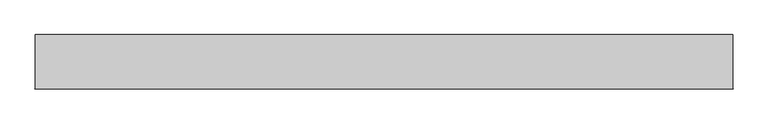
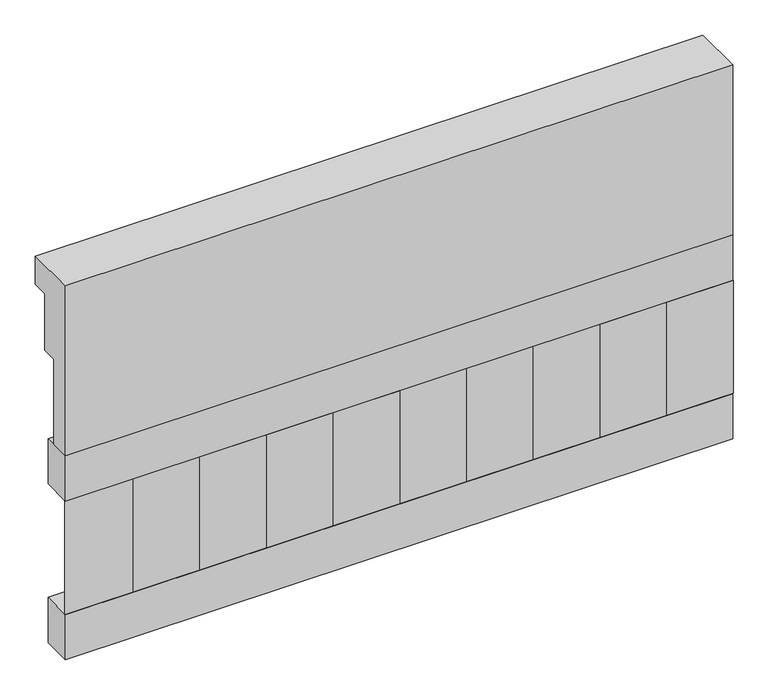
"""IFC4 building model written with IfcOpenShell, lengths in millimetres: railing geometry."""

from ifc_helpers import new_model, si_unit, frame, origin, place, context, project, spatial, polyline, outline, extrude, source, transform, mapped, element, save


def railing_411672da(model_context):
    return source(origin(), model_context, "Body", "SweptSolid", [
        extrude(outline(polyline([(903.1079487, 21800.0), (1033.1079487, 21800.0), (1033.1079487, 21725.0), (993.1079487, 21725.0), (993.1079487, 21575.0), (953.1079487, 21575.0), (953.1079487, 21350.0), (903.1079487, 21350.0), (903.1079487, 21800.0)])), frame((22660.0112841, 0.0, 0.0), z_axis=(1.0, 0.0, 0.0), x_axis=(0.0, 1.0, 0.0)), (0.0, 0.0, 1.0), 1670.0),
        extrude(outline(polyline([(24330.0112841, 978.1079487), (24330.0112841, 903.1079487), (22660.0112841, 903.1079487), (22660.0112841, 978.1079487), (24330.0112841, 978.1079487)])), frame((0.0, 0.0, 21230.0), z_axis=(0.0, 0.0, 1.0), x_axis=(1.0, 0.0, 0.0)), (0.0, 0.0, 1.0), 120.0),
        extrude(outline(polyline([(24330.0112841, 978.1079487), (24330.0112841, 903.1079487), (22660.0112841, 903.1079487), (22660.0112841, 978.1079487), (24330.0112841, 978.1079487)])), frame((0.0, 0.0, 20810.0), z_axis=(0.0, 0.0, 1.0), x_axis=(1.0, 0.0, 0.0)), (0.0, 0.0, 1.0), 120.0),
        extrude(outline(polyline([(22743.5112841, 987.9607624), (22828.3640978, 903.1079487), (22658.6584704, 903.1079487), (22743.5112841, 987.9607624)])), frame((0.0, 0.0, 20930.0), z_axis=(0.0, 0.0, 1.0), x_axis=(1.0, 0.0, 0.0)), (0.0, 0.0, 1.0), 300.0),
        extrude(outline(polyline([(22910.5112841, 987.9607624), (22995.3640978, 903.1079487), (22825.6584704, 903.1079487), (22910.5112841, 987.9607624)])), frame((0.0, 0.0, 20930.0), z_axis=(0.0, 0.0, 1.0), x_axis=(1.0, 0.0, 0.0)), (0.0, 0.0, 1.0), 300.0),
        extrude(outline(polyline([(23077.5112841, 987.9607624), (23162.3640978, 903.1079487), (22992.6584704, 903.1079487), (23077.5112841, 987.9607624)])), frame((0.0, 0.0, 20930.0), z_axis=(0.0, 0.0, 1.0), x_axis=(1.0, 0.0, 0.0)), (0.0, 0.0, 1.0), 300.0),
        extrude(outline(polyline([(23244.5112841, 987.9607624), (23329.3640978, 903.1079487), (23159.6584704, 903.1079487), (23244.5112841, 987.9607624)])), frame((0.0, 0.0, 20930.0), z_axis=(0.0, 0.0, 1.0), x_axis=(1.0, 0.0, 0.0)), (0.0, 0.0, 1.0), 300.0),
        extrude(outline(polyline([(23411.5112841, 987.9607624), (23496.3640978, 903.1079487), (23326.6584704, 903.1079487), (23411.5112841, 987.9607624)])), frame((0.0, 0.0, 20930.0), z_axis=(0.0, 0.0, 1.0), x_axis=(1.0, 0.0, 0.0)), (0.0, 0.0, 1.0), 300.0),
        extrude(outline(polyline([(23578.5112841, 987.9607624), (23663.3640978, 903.1079487), (23493.6584704, 903.1079487), (23578.5112841, 987.9607624)])), frame((0.0, 0.0, 20930.0), z_axis=(0.0, 0.0, 1.0), x_axis=(1.0, 0.0, 0.0)), (0.0, 0.0, 1.0), 300.0),
        extrude(outline(polyline([(23745.5112841, 987.9607624), (23830.3640978, 903.1079487), (23660.6584704, 903.1079487), (23745.5112841, 987.9607624)])), frame((0.0, 0.0, 20930.0), z_axis=(0.0, 0.0, 1.0), x_axis=(1.0, 0.0, 0.0)), (0.0, 0.0, 1.0), 300.0),
        extrude(outline(polyline([(23912.5112841, 987.9607624), (23997.3640978, 903.1079487), (23827.6584704, 903.1079487), (23912.5112841, 987.9607624)])), frame((0.0, 0.0, 20930.0), z_axis=(0.0, 0.0, 1.0), x_axis=(1.0, 0.0, 0.0)), (0.0, 0.0, 1.0), 300.0),
        extrude(outline(polyline([(24079.5112841, 987.9607624), (24164.3640978, 903.1079487), (23994.6584704, 903.1079487), (24079.5112841, 987.9607624)])), frame((0.0, 0.0, 20930.0), z_axis=(0.0, 0.0, 1.0), x_axis=(1.0, 0.0, 0.0)), (0.0, 0.0, 1.0), 300.0),
        extrude(outline(polyline([(24246.5112841, 987.9607624), (24331.3640978, 903.1079487), (24161.6584704, 903.1079487), (24246.5112841, 987.9607624)])), frame((0.0, 0.0, 20930.0), z_axis=(0.0, 0.0, 1.0), x_axis=(1.0, 0.0, 0.0)), (0.0, 0.0, 1.0), 300.0),
    ])


if __name__ == "__main__":
    model = new_model("IFC4")
    model_context = context("Model", 3, world=origin())
    ifc_project = project(units=[si_unit("LENGTHUNIT", "METRE", prefix="MILLI")], contexts=[model_context])
    site = spatial("IfcSite", under=ifc_project)
    building = spatial("IfcBuilding", under=site)
    placement = place(None, origin())
    railing_shape = railing_411672da(model_context)
    element("IfcRailing", 1, at=placement, inside=building, context=model_context, shape_type="MappedRepresentation", body=[
        mapped(railing_shape, transform((0.0, 0.0, 0.0), x_axis=(1.0, 0.0, 0.0), y_axis=(0.0, 1.0, 0.0), z_axis=(0.0, 0.0, 1.0))),
    ])
    save(model, "model.ifc")
